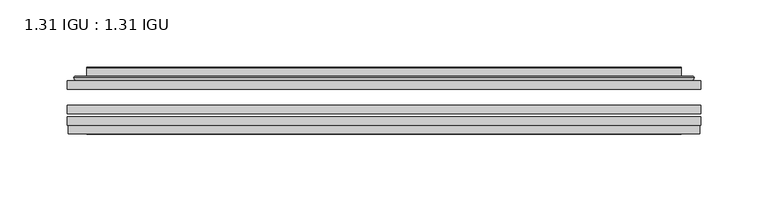
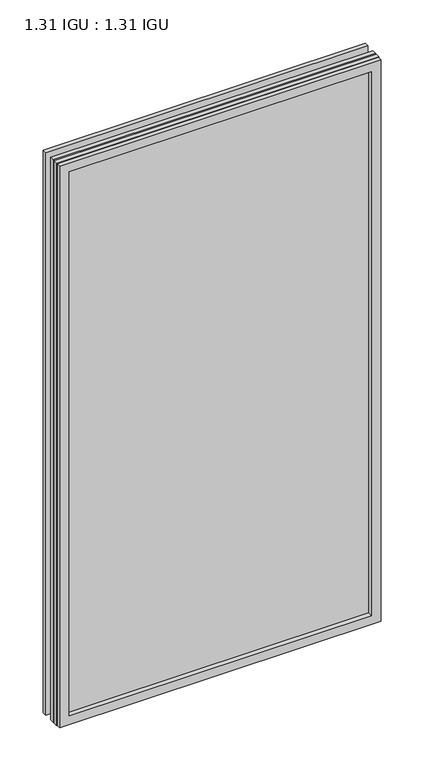
"""IFC4 building model written with IfcOpenShell, lengths in millimetres: plate geometry, 1.31 IGU : 1.31 IGU."""

from ifc_helpers import new_model, si_unit, frame, origin, place, context, project, spatial, polyline, ellipse_curve, outline, extrude, faceted_brep, source, transform, mapped, element, save
from ifc_brep_helpers import plane_surface, cylinder_surface, advanced_brep


def plate_1_31_igu_1_31_igu_b5b2bade(model_context):
    return source(origin(), model_context, "Body", "SolidModel", [
        extrude(outline(polyline([(234.964175, -63.59525), (234.964175, -69.94525), (-234.95, -69.94525), (-234.95, -63.59525), (234.964175, -63.59525)])), frame((0.0, 0.0, -14.2875), z_axis=(0.0, 0.0, 1.0), x_axis=(1.0, 0.0, 0.0)), (0.0, 0.0, 1.0), 866.7787979),
        extrude(outline(polyline([(-234.95, -78.58125), (-234.95, -72.230745), (234.964175, -72.230745), (234.964175, -78.58125), (-234.95, -78.58125)])), frame((0.0, 0.0, -14.2875), z_axis=(0.0, 0.0, 1.0), x_axis=(1.0, 0.0, 0.0)), (0.0, 0.0, 1.0), 866.7787979),
        extrude(outline(polyline([(234.964175, -45.25645), (234.964175, -51.60645), (-234.95, -51.60645), (-234.95, -45.25645), (234.964175, -45.25645)])), frame((0.0, 0.0, -14.2875), z_axis=(0.0, 0.0, 1.0), x_axis=(1.0, 0.0, 0.0)), (0.0, 0.0, 1.0), 866.7787979),
        faceted_brep([(-234.2498142, -84.93125, 851.7873142), (-234.2498142, -78.58125, 851.7873142), (-234.2498142, -78.58125, -13.5873142), (-234.2498142, -84.93125, -13.5873142), (234.2498142, -78.58125, -13.5873142), (234.2498142, -84.93125, -13.5873142), (234.2498142, -78.58125, 851.7873142), (234.2498142, -84.93125, 851.7873142), (-219.7647559, -78.58125, 0.8977441), (219.7647559, -78.58125, 0.8977441), (219.7647559, -78.58125, 837.3022559), (-219.7647559, -78.58125, 837.3022559), (-220.6571902, -84.93125, 838.1946902), (220.6571902, -84.93125, 838.1946902), (220.6571902, -84.93125, 0.0053098), (-220.6571902, -84.93125, 0.0053098)], [[[0, 1, 2, 3]], [[3, 2, 4, 5]], [[5, 4, 6, 7]], [[1, 6, 4, 2], [8, 9, 10, 11]], [[7, 6, 1, 0]], [[3, 5, 7, 0], [12, 13, 14, 15]], [[11, 12, 15, 8]], [[8, 15, 14, 9]], [[9, 14, 13, 10]], [[10, 13, 12, 11]]]),
        advanced_brep(
        [(-227.708719, -45.25645, 845.246219), (-230.0629244, -43.2667833, 847.6004244), (-230.0629244, -43.2667833, -9.4004244), (-227.708719, -45.25645, -7.046219), (-218.6343939, -41.416413, 836.1718939), (-213.6995621, -45.25645, 831.2370621), (-213.6995621, -45.25645, 6.9629379), (-218.6343939, -41.416413, 2.0281061), (-219.6664217, -36.0191819, 837.2039217), (-219.6664217, -36.0191819, 0.9960783), (-220.6570784, -35.6202069, 838.1945784), (-220.6570784, -35.6202069, 0.0054216), (-220.6570784, -42.08145, 838.1945784), (-220.6570784, -42.08145, 0.0054216), (-229.0611349, -42.08145, 846.5986349), (-229.0611349, -42.08145, -8.3986349), (230.0629244, -43.2667833, -9.4004244), (227.708719, -45.25645, -7.046219), (213.6995621, -45.25645, 6.9629379), (218.6343939, -41.416413, 2.0281061), (219.6664217, -36.0191819, 0.9960783), (220.6570784, -35.6202069, 0.0054216), (220.6570784, -42.08145, 0.0054216), (229.0611349, -42.08145, -8.3986349), (230.0629244, -43.2667833, 847.6004244), (227.708719, -45.25645, 845.246219), (213.6995621, -45.25645, 831.2370621), (218.6343939, -41.416413, 836.1718939), (219.6664217, -36.0191819, 837.2039217), (220.6570784, -35.6202069, 838.1945784), (220.6570784, -42.08145, 838.1945784), (229.0611349, -42.08145, 846.5986349)],
        [
            (0, 1, ellipse_curve(frame((-227.708719, -42.86885, 845.246219), z_axis=(-0.7071067811865475, 0.0, -0.7071067811865475), x_axis=(-0.7071067811865474, 0.0, 0.7071067811865476)), 3.3765763, 2.3876)),
            (1, 2),
            (2, 3, ellipse_curve(frame((-227.708719, -42.86885, -7.046219), z_axis=(-0.7071067811865475, 0.0, 0.7071067811865475), x_axis=(0.7071067811865474, 0.0, 0.7071067811865476)), 3.3765763, 2.3876)),
            (3, 0),
            (4, 5),
            (5, 6),
            (6, 7),
            (7, 4),
            (8, 4),
            (7, 9),
            (9, 8),
            (10, 8, ellipse_curve(frame((-220.2901219, -36.1384423, 837.8276219), z_axis=(-0.7071067811865475, 0.0, -0.7071067811865475), x_axis=(-0.7071067811865474, 0.0, 0.7071067811865476)), 0.8980256, 0.635)),
            (9, 11, ellipse_curve(frame((-220.2901219, -36.1384423, 0.3723781), z_axis=(-0.7071067811865475, 0.0, 0.7071067811865475), x_axis=(0.7071067811865474, 0.0, 0.7071067811865476)), 0.8980256, 0.635)),
            (11, 10),
            (12, 10),
            (11, 13),
            (13, 12),
            (1, 14, ellipse_curve(frame((-229.0611349, -43.09745, 846.5986349), z_axis=(-0.7071067811865475, 0.0, -0.7071067811865475), x_axis=(-0.7071067811865474, 0.0, 0.7071067811865476)), 1.436841, 1.016)),
            (14, 15),
            (15, 2, ellipse_curve(frame((-229.0611349, -43.09745, -8.3986349), z_axis=(-0.7071067811865475, 0.0, 0.7071067811865475), x_axis=(0.7071067811865474, 0.0, 0.7071067811865476)), 1.436841, 1.016)),
            (2, 16),
            (16, 17, ellipse_curve(frame((227.708719, -42.86885, -7.046219), z_axis=(-0.7071067811865475, 0.0, -0.7071067811865475), x_axis=(-0.7071067811865476, 0.0, 0.7071067811865474)), 3.3765763, 2.3876)),
            (17, 3),
            (6, 18),
            (18, 19),
            (19, 7),
            (19, 20),
            (20, 9),
            (20, 21, ellipse_curve(frame((220.2901219, -36.1384423, 0.3723781), z_axis=(-0.7071067811865475, 0.0, -0.7071067811865475), x_axis=(-0.7071067811865476, 0.0, 0.7071067811865474)), 0.8980256, 0.635)),
            (21, 11),
            (21, 22),
            (22, 13),
            (15, 23),
            (23, 16, ellipse_curve(frame((229.0611349, -43.09745, -8.3986349), z_axis=(-0.7071067811865475, 0.0, -0.7071067811865475), x_axis=(-0.7071067811865476, 0.0, 0.7071067811865474)), 1.436841, 1.016)),
            (16, 24),
            (24, 25, ellipse_curve(frame((227.708719, -42.86885, 845.246219), z_axis=(0.7071067811865475, 0.0, -0.7071067811865475), x_axis=(-0.7071067811865474, 0.0, -0.7071067811865476)), 3.3765763, 2.3876)),
            (25, 17),
            (18, 26),
            (26, 27),
            (27, 19),
            (27, 28),
            (28, 20),
            (28, 29, ellipse_curve(frame((220.2901219, -36.1384423, 837.8276219), z_axis=(0.7071067811865475, 0.0, -0.7071067811865475), x_axis=(-0.7071067811865474, 0.0, -0.7071067811865476)), 0.8980256, 0.635)),
            (29, 21),
            (29, 30),
            (30, 22),
            (23, 31),
            (31, 24, ellipse_curve(frame((229.0611349, -43.09745, 846.5986349), z_axis=(0.7071067811865475, 0.0, -0.7071067811865475), x_axis=(-0.7071067811865474, 0.0, -0.7071067811865476)), 1.436841, 1.016)),
            (24, 1),
            (0, 25),
            (5, 26),
            (4, 27),
            (8, 28),
            (10, 29),
            (12, 30),
            (14, 31),
        ],
        [
            cylinder_surface(frame((-227.708719, -42.86885, 869.95), z_axis=(0.0, 0.0, 1.0), x_axis=(-1.0, 0.0, 0.0)), 2.3876),
            plane_surface(frame((-213.6995621, -45.25645, 831.2370621), z_axis=(0.6141233906514794, 0.7892100234124821, 0.0), x_axis=(0.0, 0.0, -1.0))),
            plane_surface(frame((-218.6343939, -41.416413, 836.1718939), z_axis=(0.9822050625507729, 0.18781164793386076, 0.0), x_axis=(0.0, 0.0, -1.0))),
            cylinder_surface(frame((-220.2901219, -36.1384423, 869.95), z_axis=(0.0, 0.0, 1.0), x_axis=(-1.0, 0.0, 0.0)), 0.635),
            plane_surface(frame((-220.6570784, -35.6202069, 838.1945784), z_axis=(-1.0, 0.0, 0.0), x_axis=(0.0, 0.0, -1.0))),
            cylinder_surface(frame((-229.0611349, -43.09745, 869.95), z_axis=(0.0, 0.0, 1.0), x_axis=(-1.0, 0.0, 0.0)), 1.016),
            cylinder_surface(frame((-252.4125, -42.86885, -7.046219), z_axis=(-1.0, 0.0, 0.0), x_axis=(0.0, 0.0, -1.0)), 2.3876),
            plane_surface(frame((-213.6995621, -45.25645, 6.9629379), z_axis=(0.0, 0.7892100234124841, 0.6141233906514768), x_axis=(1.0, 0.0, 0.0))),
            plane_surface(frame((-218.6343939, -41.416413, 2.0281061), z_axis=(0.0, 0.18781164793386393, 0.9822050625507723), x_axis=(1.0, 0.0, 0.0))),
            cylinder_surface(frame((-252.4125, -36.1384423, 0.3723781), z_axis=(-1.0, 0.0, 0.0), x_axis=(0.0, 0.0, -1.0)), 0.635),
            plane_surface(frame((-220.6570784, -35.6202069, 0.0054216), z_axis=(0.0, 0.0, -1.0), x_axis=(1.0, 0.0, 0.0))),
            cylinder_surface(frame((-252.4125, -43.09745, -8.3986349), z_axis=(-1.0, 0.0, 0.0), x_axis=(0.0, 0.0, -1.0)), 1.016),
            cylinder_surface(frame((227.708719, -42.86885, -31.75), z_axis=(0.0, 0.0, -1.0), x_axis=(1.0, 0.0, 0.0)), 2.3876),
            plane_surface(frame((213.6995621, -45.25645, 6.9629379), z_axis=(-0.6141233906514743, 0.7892100234124861, 0.0), x_axis=(0.0, 0.0, 1.0))),
            plane_surface(frame((218.6343939, -41.416413, 2.0281061), z_axis=(-0.9822050625507718, 0.1878116479338671, 0.0), x_axis=(0.0, 0.0, 1.0))),
            cylinder_surface(frame((220.2901219, -36.1384423, -31.75), z_axis=(0.0, 0.0, -1.0), x_axis=(1.0, 0.0, 0.0)), 0.635),
            plane_surface(frame((220.6570784, -35.6202069, 0.0054216), z_axis=(1.0, 0.0, 0.0), x_axis=(0.0, 0.0, 1.0))),
            cylinder_surface(frame((229.0611349, -43.09745, -31.75), z_axis=(0.0, 0.0, -1.0), x_axis=(1.0, 0.0, 0.0)), 1.016),
            cylinder_surface(frame((252.4125, -42.86885, 845.246219), z_axis=(1.0, 0.0, 0.0), x_axis=(0.0, 0.0, 1.0)), 2.3876),
            plane_surface(frame((227.708719, -45.25645, 845.246219), z_axis=(0.0, -1.0, 0.0), x_axis=(-1.0, 0.0, 0.0))),
            plane_surface(frame((213.6995621, -45.25645, 831.2370621), z_axis=(0.0, 0.7892100234124841, -0.6141233906514768), x_axis=(-1.0, 0.0, 0.0))),
            plane_surface(frame((218.6343939, -41.416413, 836.1718939), z_axis=(0.0, 0.18781164793386393, -0.9822050625507723), x_axis=(-1.0, 0.0, 0.0))),
            cylinder_surface(frame((252.4125, -36.1384423, 837.8276219), z_axis=(1.0, 0.0, 0.0), x_axis=(0.0, 0.0, 1.0)), 0.635),
            plane_surface(frame((220.6570784, -35.6202069, 838.1945784), z_axis=(0.0, 0.0, 1.0), x_axis=(-1.0, 0.0, 0.0))),
            plane_surface(frame((220.6570784, -42.08145, 838.1945784), z_axis=(0.0, 1.0, 0.0), x_axis=(-1.0, 0.0, 0.0))),
            cylinder_surface(frame((252.4125, -43.09745, 846.5986349), z_axis=(1.0, 0.0, 0.0), x_axis=(0.0, 0.0, 1.0)), 1.016),
        ],
        [
            (0, [[1, 2, 3, 4]]),
            (1, [[5, 6, 7, 8]]),
            (2, [[9, -8, 10, 11]]),
            (3, [[12, -11, 13, 14]]),
            (4, [[15, -14, 16, 17]]),
            (5, [[18, 19, 20, -2]]),
            (6, [[-3, 21, 22, 23]]),
            (7, [[-7, 24, 25, 26]]),
            (8, [[-10, -26, 27, 28]]),
            (9, [[-13, -28, 29, 30]]),
            (10, [[-16, -30, 31, 32]]),
            (11, [[-20, 33, 34, -21]]),
            (12, [[-22, 35, 36, 37]]),
            (13, [[-25, 38, 39, 40]]),
            (14, [[-27, -40, 41, 42]]),
            (15, [[-29, -42, 43, 44]]),
            (16, [[-31, -44, 45, 46]]),
            (17, [[-34, 47, 48, -35]]),
            (18, [[-36, 49, -1, 50]]),
            (19, [[-23, -37, -50, -4], [51, -38, -24, -6]]),
            (20, [[-39, -51, -5, 52]]),
            (21, [[-41, -52, -9, 53]]),
            (22, [[-43, -53, -12, 54]]),
            (23, [[-45, -54, -15, 55]]),
            (24, [[56, -47, -33, -19], [-32, -46, -55, -17]]),
            (25, [[-48, -56, -18, -49]]),
        ],
    ),
    ])


if __name__ == "__main__":
    model = new_model("IFC4")
    model_context = context("Model", 3, world=origin())
    ifc_project = project(units=[si_unit("LENGTHUNIT", "METRE", prefix="MILLI")], contexts=[model_context])
    site = spatial("IfcSite", under=ifc_project)
    building = spatial("IfcBuilding", under=site)
    placement = place(None, origin())
    plate_1_31_igu_1_31_igu_shape = plate_1_31_igu_1_31_igu_b5b2bade(model_context)
    element("IfcPlate", 1, ObjectType="1.31 IGU : 1.31 IGU", at=placement, inside=building, context=model_context, shape_type="MappedRepresentation", body=[
        mapped(plate_1_31_igu_1_31_igu_shape, transform((0.0, 0.0, 0.0), x_axis=(1.0, 0.0, 0.0), y_axis=(0.0, 1.0, 0.0), z_axis=(0.0, 0.0, 1.0))),
    ])
    save(model, "model.ifc")
